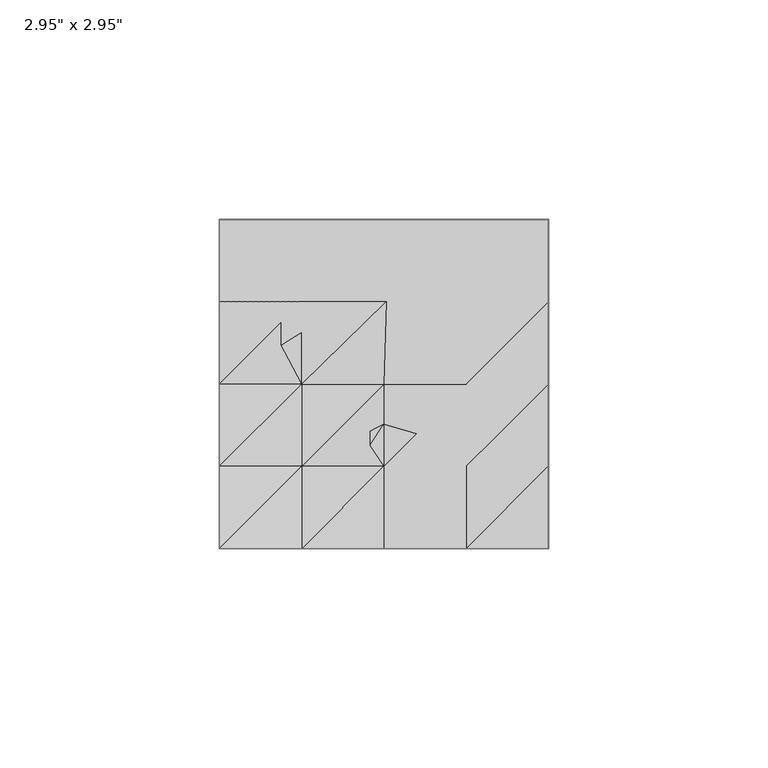
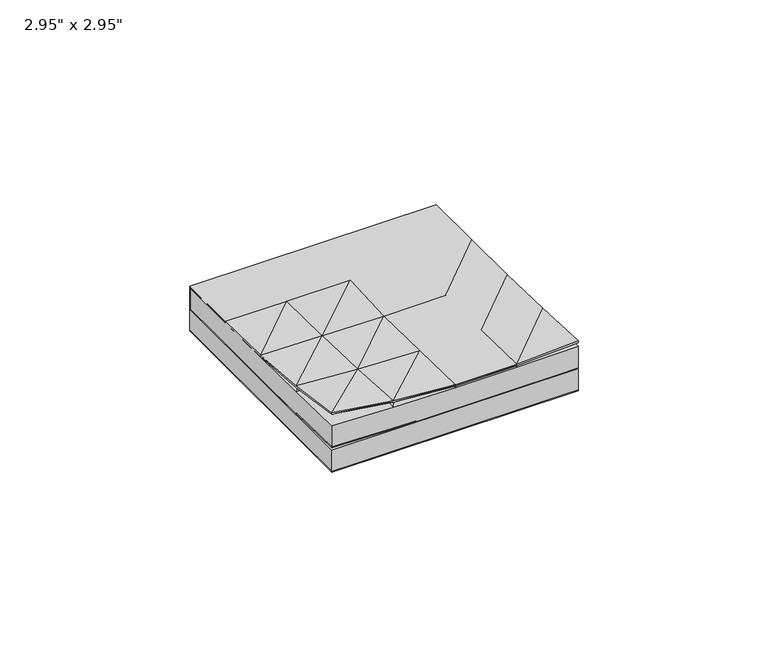
"""IFC4 building model written with IfcOpenShell, lengths in millimetres: furniture geometry."""

from ifc_helpers import new_model, si_unit, origin, place, context, project, spatial, triangles, source, transform, mapped, element, save


def furniture_151bccec(model_context):
    return source(origin(), model_context, "Body", "Tessellation", [
        triangles([(-18.7635872, -0.009115, 14.5890361), (-0.0090431, -0.0091139, 14.3890359), (0.4909559, 18.745448, 14.3890359), (-18.7635883, 18.7454469, 14.3890359), (-18.7635872, -0.009115, 14.089036), (-18.7635883, 18.7454469, 13.8890357), (0.4909559, 18.745448, 13.8890357), (-0.0090431, -0.0091139, 13.8890357), (18.7455048, -0.0091129, 14.4890366), (18.7455048, -0.0091129, 13.9890364), (37.4818669, 18.7454503, 13.8890357), (37.4818669, -0.0091118, 14.089036), (37.4818669, -0.0091118, 14.5890361), (37.4818669, 18.7454503, 14.3890359), (37.4818669, 3.8090786, 13.9890364), (37.4818623, 37.481826, 13.9890364), (-7.6272245, 18.745448, 13.9890364), (-37.4999526, 18.7454469, 13.9890364), (-37.4999571, 37.4818192, 13.8890357), (-16.3454083, 37.4818214, 13.8890357), (-37.4999526, 18.7454469, 14.4890366), (-16.3454083, 37.4818214, 14.3890359), (-37.4999571, 37.4818192, 14.3890359), (37.4818623, 37.481826, 14.3890359), (-37.4999503, -37.5000525, 19.1890358), (-37.4999503, -37.5000525, 18.6890368), (-18.7635849, -37.5000502, 16.3890364), (-18.7635849, -18.763678, 15.1890359), (-37.4999526, -18.763678, 16.3890364), (-37.4999526, -18.763678, 15.8890351), (-18.7635849, -18.763678, 14.6890357), (-18.7635849, -37.5000502, 15.8890351), (-37.4999503, -37.5000525, 14.889036), (-18.7635849, -37.5000502, 14.3890359), (-18.7635849, -18.763678, 14.1890367), (-37.4999526, -18.763678, 14.4890366), (-0.0090411, -37.5000502, 15.0890363), (-0.0090421, -18.7636757, 14.089036), (-0.0090411, -37.5000502, 14.5890361), (-0.0090421, -18.7636757, 14.5890361), (-0.0090411, -37.5000502, 14.089036), (-0.0090426, -9.2273, 14.089036), (18.745506, -18.7636746, 14.1890367), (18.745506, -37.5000502, 14.5890361), (18.745506, -37.5000502, 15.0890363), (18.745506, -18.7636746, 14.6890357), (18.745506, -37.5000502, 14.089036), (18.7455048, -14.645486, 13.9890364), (37.4818714, -37.5000457, 15.9890359), (37.4818714, -37.5000457, 14.2890363), (37.4818669, -18.7636746, 14.089036), (37.4818714, -37.5000457, 15.3890361), (37.4818669, -18.7636746, 14.5890361), (37.4818669, -18.7636746, 15.0890363), (-37.4999526, -0.009116, 14.1890367), (-37.4999526, -0.009116, 14.9890356), (-37.4999526, -0.009116, 14.4890366), (-37.499998, -37.5000525, 0.0), (-37.5000048, 37.5000321, 0.0), (37.5000434, 37.5000389, 0.0), (37.5000502, -37.5000457, 0.0), (-37.499998, -37.5000525, 6.9999997), (37.5000502, -37.5000457, 6.9999997), (37.5000434, 37.5000389, 6.9999997), (-37.5000048, 37.5000321, 6.9999997), (-18.6999907, -37.5000502, 7.4000003), (-18.6999907, -18.8000334, 7.2), (2.34e-05, -18.8000312, 7.0999998), (2.44e-05, -37.5000502, 7.0999998), (-37.499998, -37.5000525, 7.9307256), (18.8000346, -18.80003, 7.0999998), (18.8000346, -37.5000502, 7.0999998), (37.5000502, -37.5000457, 7.2999995), (37.5000457, -18.80003, 7.0999998), (-18.699993, -1.45e-05, 7.0999998), (2.24e-05, -1.35e-05, 7.0999998), (-37.5000026, -18.8000334, 7.5307262), (18.8000334, -1.25e-05, 6.9999997), (37.5000457, -1.14e-05, 6.9999997), (-37.5000026, -1.56e-05, 7.2), (-37.5000026, 18.7000134, 6.9999997), (-18.6999941, 18.7000134, 6.9999997), (2.13e-05, 18.7000145, 6.9999997), (18.8000312, 18.7000168, 6.9999997), (37.5000457, 18.7000168, 6.9999997), (-18.6999941, 37.5000344, 6.9999997), (2.03e-05, 37.5000344, 6.9999997), (18.8000312, 37.5000344, 6.9999997), (-18.6999941, 37.5000344, 13.9307256), (2.03e-05, 37.5000344, 13.9307256), (18.8000312, 37.5000344, 13.9307256)], [[1, 2, 3], [1, 3, 4], [5, 6, 7], [5, 7, 8], [2, 9, 3], [8, 7, 10], [10, 7, 11], [10, 11, 12], [9, 13, 14], [9, 14, 3], [13, 12, 14], [12, 11, 14], [15, 16, 17], [18, 19, 20], [18, 20, 6], [21, 4, 22], [21, 22, 23], [18, 17, 19], [18, 21, 19], [21, 23, 19], [4, 3, 22], [6, 20, 7], [17, 16, 19], [7, 20, 16], [7, 16, 11], [3, 14, 24], [3, 24, 22], [11, 24, 14], [11, 16, 24], [23, 22, 20], [23, 20, 19], [22, 16, 20], [22, 24, 16], [25, 26, 27], [25, 27, 28], [25, 28, 29], [25, 30, 26], [25, 29, 30], [26, 30, 31], [26, 31, 32], [26, 32, 27], [33, 34, 35], [33, 35, 36], [27, 32, 37], [32, 31, 38], [32, 38, 39], [27, 37, 40], [27, 40, 28], [32, 39, 37], [34, 41, 42], [34, 42, 35], [39, 38, 43], [39, 43, 44], [37, 45, 46], [37, 46, 40], [37, 39, 45], [39, 44, 45], [41, 47, 48], [41, 48, 42], [45, 44, 49], [47, 50, 51], [47, 51, 48], [44, 52, 49], [44, 43, 53], [44, 53, 52], [45, 49, 54], [45, 54, 46], [49, 52, 54], [52, 53, 54], [36, 35, 5], [36, 5, 55], [29, 28, 1], [29, 1, 56], [30, 29, 57], [30, 57, 5], [30, 5, 31], [29, 56, 57], [31, 5, 8], [31, 8, 38], [28, 40, 2], [28, 2, 1], [35, 42, 5], [38, 8, 10], [38, 10, 43], [40, 46, 9], [40, 9, 2], [43, 10, 12], [43, 12, 53], [46, 54, 13], [46, 13, 9], [51, 15, 48], [53, 13, 54], [53, 12, 13], [48, 15, 17], [48, 17, 42], [42, 17, 5], [57, 56, 18], [56, 21, 18], [55, 5, 17], [55, 17, 18], [56, 1, 4], [56, 4, 21], [57, 18, 6], [57, 6, 5], [58, 59, 60], [58, 60, 61], [62, 58, 63], [62, 63, 64], [62, 64, 65], [58, 61, 63], [58, 62, 59], [62, 65, 59], [66, 67, 68], [66, 68, 69], [66, 70, 67], [66, 69, 41], [66, 34, 70], [66, 41, 34], [69, 68, 71], [69, 71, 72], [69, 72, 47], [69, 47, 41], [72, 73, 50], [72, 50, 47], [72, 71, 74], [72, 74, 73], [63, 61, 64], [61, 60, 64], [73, 74, 51], [73, 51, 50], [67, 75, 76], [67, 76, 68], [67, 70, 77], [67, 77, 75], [68, 76, 78], [68, 78, 71], [71, 78, 79], [71, 79, 74], [74, 79, 12], [74, 12, 51], [80, 77, 36], [80, 36, 55], [80, 55, 81], [80, 75, 77], [80, 81, 82], [80, 82, 75], [75, 82, 83], [75, 83, 76], [76, 83, 84], [76, 84, 78], [78, 84, 85], [78, 85, 79], [79, 85, 11], [79, 11, 12], [81, 55, 18], [81, 18, 65], [81, 65, 86], [81, 86, 82], [82, 86, 87], [82, 87, 83], [83, 87, 88], [83, 88, 84], [84, 88, 64], [84, 64, 85], [85, 64, 16], [85, 16, 11], [65, 60, 59], [65, 64, 60], [65, 19, 86], [65, 18, 19], [86, 19, 89], [86, 89, 87], [87, 89, 90], [87, 90, 88], [88, 90, 91], [88, 91, 64], [64, 91, 16], [70, 33, 77], [70, 34, 33], [33, 36, 77]], closed=False),
    ])


if __name__ == "__main__":
    model = new_model("IFC4")
    model_context = context("Model", 3, world=origin())
    ifc_project = project(units=[si_unit("LENGTHUNIT", "METRE", prefix="MILLI")], contexts=[model_context])
    site = spatial("IfcSite", under=ifc_project)
    building = spatial("IfcBuilding", under=site)
    placement = place(None, origin())
    furniture_shape = furniture_151bccec(model_context)
    element("IfcFurniture", 1, ObjectType="2.95\" x 2.95\"", at=placement, inside=building, context=model_context, shape_type="MappedRepresentation", body=[
        mapped(furniture_shape, transform((0.0, 0.0, 0.0), x_axis=(1.0, 0.0, 0.0), y_axis=(0.0, 1.0, 0.0), z_axis=(0.0, 0.0, 1.0))),
    ])
    save(model, "model.ifc")
